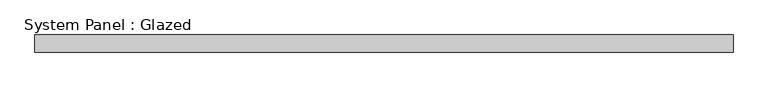
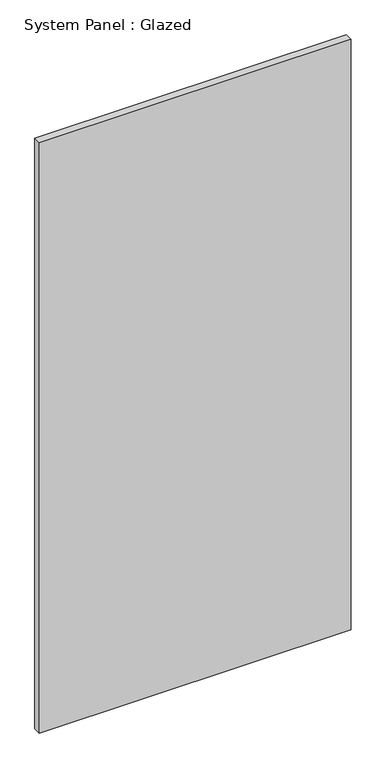
"""IFC4 building model written with IfcOpenShell, lengths in millimetres: plate geometry, System Panel : Glazed."""

from ifc_helpers import new_model, si_unit, origin, origin_with_axes, place, context, project, spatial, polyline, outline, extrude, source, transform, mapped, element, save


def system_panel_glazed_43074b52(model_context):
    return source(origin(), model_context, "Body", "SweptSolid", [
        extrude(outline(polyline([(499.722778, 24.5), (-499.722778, 24.5), (-499.722778, 49.5), (499.722778, 49.5), (499.722778, 24.5)])), origin_with_axes(), (0.0, 0.0, 1.0), 2000.0),
    ])


if __name__ == "__main__":
    model = new_model("IFC4")
    model_context = context("Model", 3, world=origin())
    ifc_project = project(units=[si_unit("LENGTHUNIT", "METRE", prefix="MILLI")], contexts=[model_context])
    site = spatial("IfcSite", under=ifc_project)
    building = spatial("IfcBuilding", under=site)
    placement = place(None, origin())
    system_panel_glazed_shape = system_panel_glazed_43074b52(model_context)
    element("IfcPlate", 1, ObjectType="System Panel : Glazed", at=placement, inside=building, context=model_context, shape_type="MappedRepresentation", body=[
        mapped(system_panel_glazed_shape, transform((0.0, 0.0, 0.0), x_axis=(1.0, 0.0, 0.0), y_axis=(0.0, 1.0, 0.0), z_axis=(0.0, 0.0, 1.0))),
    ])
    save(model, "model.ifc")
